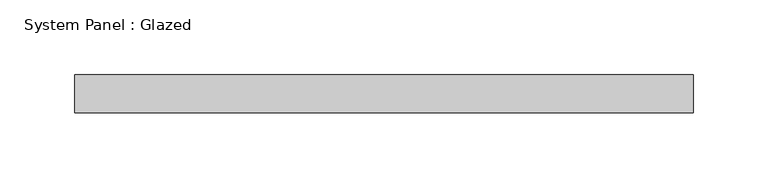
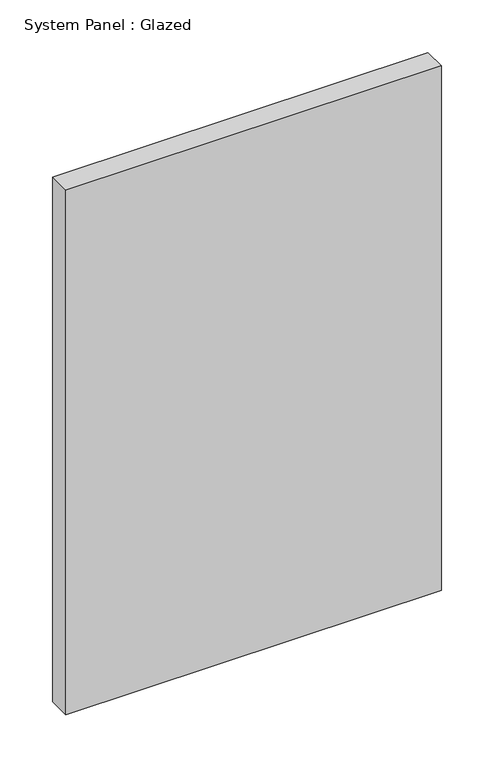
"""IFC4 building model written with IfcOpenShell, lengths in millimetres: plate geometry, System Panel : Glazed."""

from ifc_helpers import new_model, si_unit, origin, origin_with_axes, place, context, project, spatial, polyline, outline, extrude, source, transform, mapped, element, save


def system_panel_glazed_a81b27ea(model_context):
    return source(origin(), model_context, "Body", "SweptSolid", [
        extrude(outline(polyline([(206.375, 19.05), (-206.375, 19.05), (-206.375, 44.45), (206.375, 44.45), (206.375, 19.05)])), origin_with_axes(), (0.0, 0.0, 1.0), 609.6),
    ])


if __name__ == "__main__":
    model = new_model("IFC4")
    model_context = context("Model", 3, world=origin())
    ifc_project = project(units=[si_unit("LENGTHUNIT", "METRE", prefix="MILLI")], contexts=[model_context])
    site = spatial("IfcSite", under=ifc_project)
    building = spatial("IfcBuilding", under=site)
    placement = place(None, origin())
    system_panel_glazed_shape = system_panel_glazed_a81b27ea(model_context)
    element("IfcPlate", 1, ObjectType="System Panel : Glazed", at=placement, inside=building, context=model_context, shape_type="MappedRepresentation", body=[
        mapped(system_panel_glazed_shape, transform((0.0, 0.0, 0.0), x_axis=(1.0, 0.0, 0.0), y_axis=(0.0, 1.0, 0.0), z_axis=(0.0, 0.0, 1.0))),
    ])
    save(model, "model.ifc")
